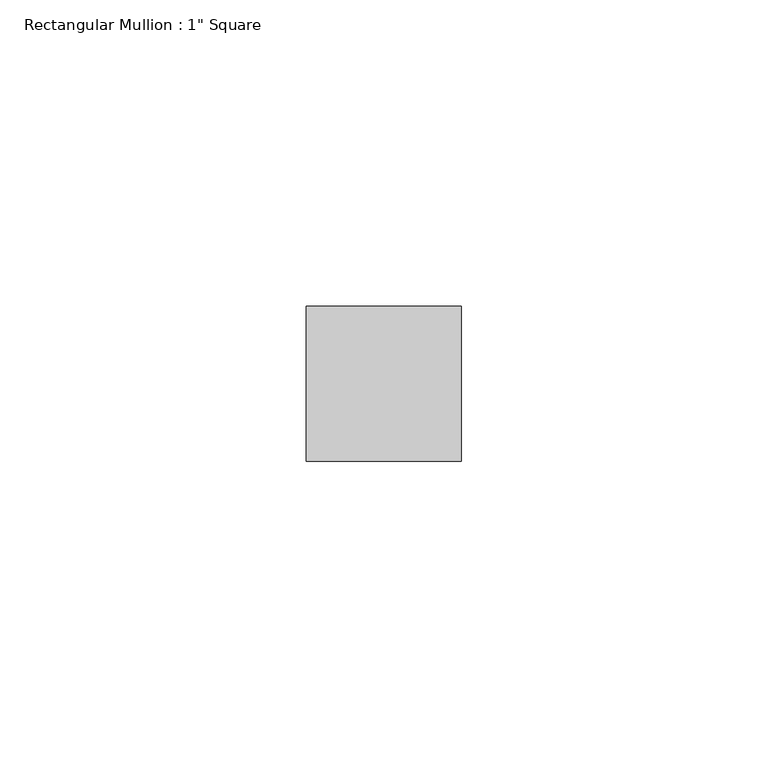
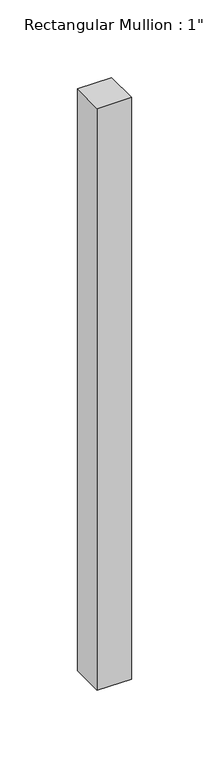
"""IFC4 building model written with IfcOpenShell, lengths in millimetres: member geometry."""

import ifcopenshell
import ifcopenshell.guid

model = None  # the IFC model being written
_history = None  # IfcOwnerHistory: only IFC2X3 demands one
_inside = {}  # id of a spatial element -> (the spatial element, [elements in it])
_under = {}  # id of a project, library or spatial element -> (it, [spatial elements below it])
_declared = {}  # id of a project -> (the project, [libraries it declares])
_typed = {}  # id of a type object -> (the type object, [elements of that type])
_made_of = {}  # id of a material, layer set ... -> (it, [elements and type objects made of it])


def new_model(schema):
    """Start an empty IFC model of exactly this schema.

    Asked for "IFC4X3", IfcOpenShell would pick the latest addendum, in which some entities
    have other attributes; the version numbers below select the first issue.
    IFC2X3 requires an IfcOwnerHistory on every rooted entity: one is made here for all.
    """
    global model, _history
    if schema == "IFC4X3":
        model = ifcopenshell.file(schema_version=(4, 3, 0, 0))
    else:
        model = ifcopenshell.file(schema=schema)
    _inside.clear()
    _under.clear()
    _declared.clear()
    _typed.clear()
    _made_of.clear()
    _history = None
    if model.schema == "IFC2X3":
        org = make("IfcOrganization", Name="unknown")
        user = make(
            "IfcPersonAndOrganization",
            ThePerson=make("IfcPerson", FamilyName="unknown"),
            TheOrganization=org,
        )
        app = make(
            "IfcApplication",
            ApplicationDeveloper=org,
            Version="unknown",
            ApplicationFullName="unknown",
            ApplicationIdentifier="unknown",
        )
        _history = make(
            "IfcOwnerHistory",
            OwningUser=user,
            OwningApplication=app,
            ChangeAction="ADDED",
            CreationDate=0,
        )
    return model


def make(cls, **values):
    """One entity of the class cls with the attributes given. An attribute that is None is left unset."""
    return model.create_entity(
        cls, **{name: value for name, value in values.items() if value is not None}
    )


def rooted(cls, **values):
    """An entity with a GlobalId (a new one), such as an element, a storey or a relation."""
    return make(cls, GlobalId=ifcopenshell.guid.new(), OwnerHistory=_history, **values)


def si_unit(unit_type, name, prefix=None):
    """IfcSIUnit, for example si_unit("LENGTHUNIT", "METRE", prefix="MILLI")."""
    return make("IfcSIUnit", UnitType=unit_type, Prefix=prefix, Name=name)


def assignment(units):
    """IfcUnitAssignment: the units of a project."""
    return None if units is None else make("IfcUnitAssignment", Units=units)


def point(xyz):
    """IfcCartesianPoint."""
    return None if xyz is None else make("IfcCartesianPoint", Coordinates=xyz)


def direction(xyz):
    """IfcDirection."""
    return None if xyz is None else make("IfcDirection", DirectionRatios=xyz)


def frame(location, z_axis=None, x_axis=None):
    """IfcAxis2Placement3D, a coordinate frame: its origin and axes. An axis left out is left unset."""
    return make(
        "IfcAxis2Placement3D",
        Location=point(location),
        Axis=direction(z_axis),
        RefDirection=direction(x_axis),
    )


def origin():
    """The frame at (0, 0, 0) with its axes left unset."""
    return frame((0.0, 0.0, 0.0))


def place(relative_to, where):
    """IfcLocalPlacement: puts the frame where relative to a parent placement (None: the world)."""
    return make(
        "IfcLocalPlacement", PlacementRelTo=relative_to, RelativePlacement=where
    )


def context(
    kind, dimensions, precision=None, world=None, true_north=None, identifier=None
):
    """IfcGeometricRepresentationContext, for example the 3D "Model" context."""
    return make(
        "IfcGeometricRepresentationContext",
        ContextIdentifier=identifier,
        ContextType=kind,
        CoordinateSpaceDimension=dimensions,
        Precision=precision,
        WorldCoordinateSystem=world,
        TrueNorth=true_north,
    )


def project(units=None, contexts=None):
    """IfcProject with its units and contexts."""
    return rooted(
        "IfcProject",
        Name="project",
        RepresentationContexts=contexts,
        UnitsInContext=assignment(units),
    )


def spatial(cls, under=None, at=None, **own):
    """A site, building, storey or space (cls), placed at a placement, below another one or the project."""
    s = rooted(cls, ObjectPlacement=at, **own)
    if under is not None:
        _under.setdefault(under.id(), (under, []))[1].append(s)
    return s


def polyline(points):
    """IfcPolyline through the points."""
    return make("IfcPolyline", Points=[point(p) for p in points])


def outline(outer, holes=None, kind="AREA"):
    """IfcArbitraryClosedProfileDef: a profile drawn as a closed curve; with holes, ...WithVoids."""
    if holes is None:
        return make("IfcArbitraryClosedProfileDef", ProfileType=kind, OuterCurve=outer)
    return make(
        "IfcArbitraryProfileDefWithVoids",
        ProfileType=kind,
        OuterCurve=outer,
        InnerCurves=holes,
    )


def extrude(swept, where, along, depth):
    """IfcExtrudedAreaSolid: the profile swept, set in the frame where, extruded along a direction by depth."""
    return make(
        "IfcExtrudedAreaSolid",
        SweptArea=swept,
        Position=where,
        ExtrudedDirection=direction(along),
        Depth=depth,
    )


def shape(context_of_items, identifier, shape_type, items):
    """IfcShapeRepresentation: the items that make up one representation, for example the "Body"."""
    return make(
        "IfcShapeRepresentation",
        ContextOfItems=context_of_items,
        RepresentationIdentifier=identifier,
        RepresentationType=shape_type,
        Items=items,
    )


def source(mapping_origin, context_of_items, identifier, shape_type, items):
    """IfcRepresentationMap: a shape defined once, which mapped items show again and again."""
    return make(
        "IfcRepresentationMap",
        MappingOrigin=mapping_origin,
        MappedRepresentation=shape(context_of_items, identifier, shape_type, items),
    )


def transform(
    local_origin,
    x_axis=None,
    y_axis=None,
    z_axis=None,
    scale=None,
    scale2=None,
    scale3=None,
    uniform=True,
):
    """IfcCartesianTransformationOperator3D, or its non-uniform kind. x_axis, y_axis, z_axis: its Axis1, 2, 3."""
    if uniform:
        return make(
            "IfcCartesianTransformationOperator3D",
            Axis1=direction(x_axis),
            Axis2=direction(y_axis),
            LocalOrigin=point(local_origin),
            Scale=scale,
            Axis3=direction(z_axis),
        )
    return make(
        "IfcCartesianTransformationOperator3DnonUniform",
        Axis1=direction(x_axis),
        Axis2=direction(y_axis),
        LocalOrigin=point(local_origin),
        Scale=scale,
        Axis3=direction(z_axis),
        Scale2=scale2,
        Scale3=scale3,
    )


def mapped(mapping_source, mapping_target):
    """IfcMappedItem: shows the shape of a source again, moved by a transform."""
    return make(
        "IfcMappedItem", MappingSource=mapping_source, MappingTarget=mapping_target
    )


def made_of(thing, what):
    """Note that an element or type object is made of a material, layer set ...; save() writes the relation."""
    if what is not None:
        _made_of.setdefault(what.id(), (what, []))[1].append(thing)
    return thing


def element(
    cls,
    number,
    at=None,
    inside=None,
    cuts=None,
    type_object=None,
    material=None,
    context=None,
    identifier="Body",
    shape_type=None,
    held_by="IfcProductDefinitionShape",
    body=None,
    shapes=None,
    **own,
):
    """One element of the class cls, such as IfcWall. Its Tag is "e" and its number.

    at: its placement. inside: the storey or other place that contains it. cuts: it is an
    opening in that element (IfcRelVoidsElement). A single representation is given by context,
    identifier, shape_type and body (its items); several are given by shapes. held_by: the class
    of the entity that holds the representations. save() writes the other relations.
    """
    e = rooted(cls, Tag="e%d" % number, ObjectPlacement=at, **own)
    if body is not None:
        shapes = [shape(context, identifier, shape_type, body)]
    if shapes is not None:
        e.Representation = make(held_by, Representations=shapes)
    if inside is not None:
        _inside.setdefault(inside.id(), (inside, []))[1].append(e)
    if cuts is not None:
        rooted(
            "IfcRelVoidsElement", RelatingBuildingElement=cuts, RelatedOpeningElement=e
        )
    if type_object is not None:
        _typed.setdefault(type_object.id(), (type_object, []))[1].append(e)
    return made_of(e, material)


def aggregate(whole, parts):
    """IfcRelAggregates: a whole, such as a stair, and the parts it consists of."""
    return rooted("IfcRelAggregates", RelatingObject=whole, RelatedObjects=parts)


def save(model, path):
    """Write the relations noted so far, then the file.

    IfcRelAggregates (storeys below a building ...), IfcRelContainedInSpatialStructure (elements
    in a storey), IfcRelDefinesByType, IfcRelAssociatesMaterial and IfcRelDeclares: one each for
    every whole, place, type object, material and project.
    """
    for whole, parts in _under.values():
        aggregate(whole, parts)
    for where, things in _inside.values():
        rooted(
            "IfcRelContainedInSpatialStructure",
            RelatedElements=things,
            RelatingStructure=where,
        )
    for kind, things in _typed.values():
        rooted("IfcRelDefinesByType", RelatedObjects=things, RelatingType=kind)
    for what, things in _made_of.values():
        rooted("IfcRelAssociatesMaterial", RelatedObjects=things, RelatingMaterial=what)
    for by, libraries in _declared.values():
        rooted("IfcRelDeclares", RelatingContext=by, RelatedDefinitions=libraries)
    model.write(path)


def member_038dcf1c(model_context):
    return source(origin(), model_context, "Body", "SweptSolid", [
        extrude(outline(polyline([(0.0, 12.7), (0.0, -12.7), (-25.4, -12.7), (-25.4, 12.7), (0.0, 12.7)])), frame((0.0, 0.0, -457.2), z_axis=(0.0, 0.0, 1.0), x_axis=(1.0, 0.0, 0.0)), (0.0, 0.0, 1.0), 457.2),
    ])


if __name__ == "__main__":
    model = new_model("IFC4")
    model_context = context("Model", 3, world=origin())
    ifc_project = project(units=[si_unit("LENGTHUNIT", "METRE", prefix="MILLI")], contexts=[model_context])
    site = spatial("IfcSite", under=ifc_project)
    building = spatial("IfcBuilding", under=site)
    placement = place(None, origin())
    member_shape = member_038dcf1c(model_context)
    element("IfcMember", 1, ObjectType="Rectangular Mullion : 1\" Square", at=placement, inside=building, context=model_context, shape_type="MappedRepresentation", body=[
        mapped(member_shape, transform((0.0, 0.0, 0.0), x_axis=(1.0, 0.0, 0.0), y_axis=(0.0, 1.0, 0.0), z_axis=(0.0, 0.0, 1.0))),
    ])
    save(model, "model.ifc")
